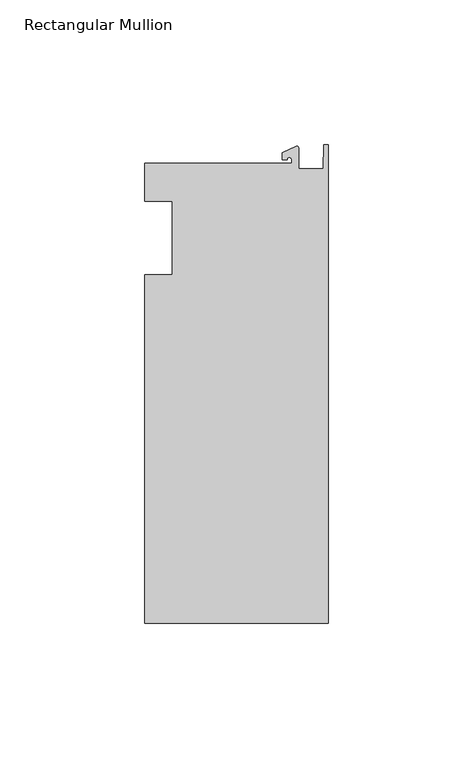
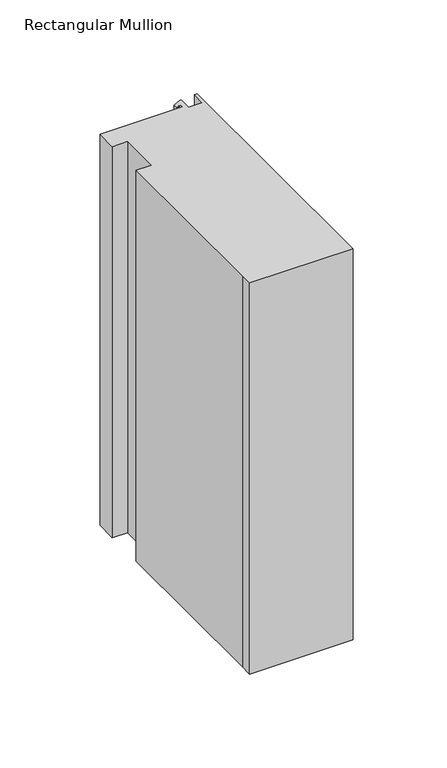
"""IFC4 building model written with IfcOpenShell, lengths in millimetres: member geometry, Rectangular Mullion."""

from ifc_helpers import new_model, si_unit, point, frame, frame_2d, origin, place, context, project, spatial, polyline, circle_curve, trimmed, segment, composite_curve, outline, extrude, source, transform, mapped, element, save


def rectangular_mullion_998a8f0e(model_context):
    return source(origin(), model_context, "Body", "SweptSolid", [
        extrude(outline(composite_curve([segment(polyline([(-12.6173814, 25.796875), (-12.6173814, 27.0827507)]), True, "CONTINUOUS"), segment(trimmed(circle_curve(frame_2d((-13.4111314, 27.0827507)), 0.79375), [point((-12.6173814, 27.0827507))], [point((-14.2048814, 27.0827507))], True, "CARTESIAN"), True, "CONTINUOUS"), segment(polyline([(-14.2048814, 27.0827507), (-15.7923814, 27.0827507), (-15.7923814, 29.44495), (-10.9524715, 31.7018371)]), True, "CONTINUOUS"), segment(trimmed(circle_curve(frame_2d((-10.7377814, 31.2414327)), 0.508), [point((-10.9524715, 31.7018371))], [point((-10.2297814, 31.2414327))], False, "CARTESIAN"), True, "CONTINUOUS"), segment(polyline([(-10.2297814, 31.2414327), (-10.2297814, 23.9227662), (-1.7144124, 23.9227662), (-1.5658966, 32.288874), (0.0, 32.288874), (0.0, -133.34365), (-63.5, -133.34365), (-63.5, -125.8114907), (-63.5, -12.7), (-53.975, -12.7), (-53.975, 12.7), (-63.5, 12.7), (-63.5, 25.796875), (-12.6173814, 25.796875)]), True, "CONTINUOUS")], self_intersect=False)), frame((0.0, 0.0, -254.0), z_axis=(0.0, 0.0, 1.0), x_axis=(1.0, 0.0, 0.0)), (0.0, 0.0, 1.0), 254.0),
    ])


if __name__ == "__main__":
    model = new_model("IFC4")
    model_context = context("Model", 3, world=origin())
    ifc_project = project(units=[si_unit("LENGTHUNIT", "METRE", prefix="MILLI")], contexts=[model_context])
    site = spatial("IfcSite", under=ifc_project)
    building = spatial("IfcBuilding", under=site)
    placement = place(None, origin())
    rectangular_mullion_shape = rectangular_mullion_998a8f0e(model_context)
    element("IfcMember", 1, ObjectType="Rectangular Mullion", at=placement, inside=building, context=model_context, shape_type="MappedRepresentation", body=[
        mapped(rectangular_mullion_shape, transform((0.0, 0.0, 0.0), x_axis=(1.0, 0.0, 0.0), y_axis=(0.0, 1.0, 0.0), z_axis=(0.0, 0.0, 1.0))),
    ])
    save(model, "model.ifc")
